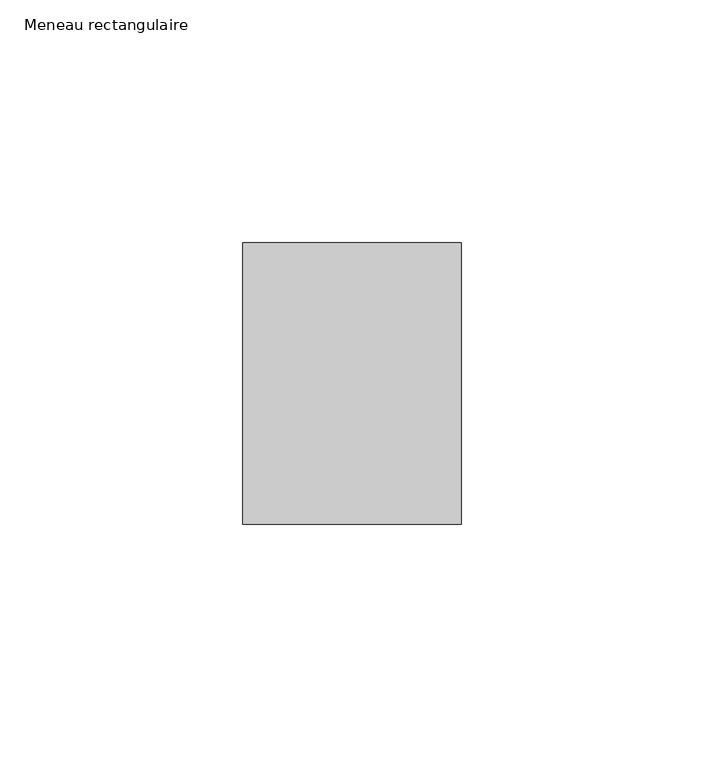
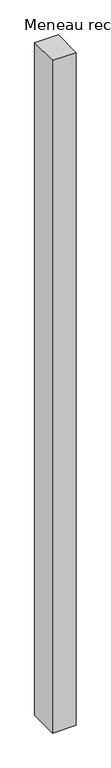
"""IFC4 building model written with IfcOpenShell, lengths in millimetres: member geometry, Meneau rectangulaire."""

from ifc_helpers import new_model, si_unit, frame, origin, place, context, project, spatial, polyline, outline, extrude, source, transform, mapped, element, save


def meneau_rectangulaire_82ac434f(model_context):
    return source(origin(), model_context, "Body", "SweptSolid", [
        extrude(outline(polyline([(-45.0, 29.0), (0.0, 29.0), (0.0, -29.0), (-45.0, -29.0), (-45.0, 29.0)])), frame((0.0, 0.0, -1344.2499999), z_axis=(0.0, 0.0, 1.0), x_axis=(1.0, 0.0, 0.0)), (0.0, 0.0, 1.0), 1344.2499999),
    ])


if __name__ == "__main__":
    model = new_model("IFC4")
    model_context = context("Model", 3, world=origin())
    ifc_project = project(units=[si_unit("LENGTHUNIT", "METRE", prefix="MILLI")], contexts=[model_context])
    site = spatial("IfcSite", under=ifc_project)
    building = spatial("IfcBuilding", under=site)
    placement = place(None, origin())
    meneau_rectangulaire_shape = meneau_rectangulaire_82ac434f(model_context)
    element("IfcMember", 1, ObjectType="Meneau rectangulaire", at=placement, inside=building, context=model_context, shape_type="MappedRepresentation", body=[
        mapped(meneau_rectangulaire_shape, transform((0.0, 0.0, 0.0), x_axis=(1.0, 0.0, 0.0), y_axis=(0.0, 1.0, 0.0), z_axis=(0.0, 0.0, 1.0))),
    ])
    save(model, "model.ifc")
